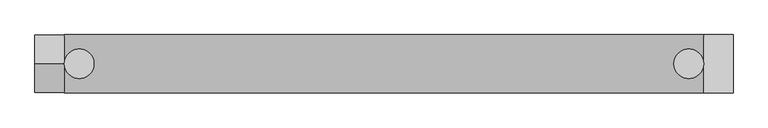
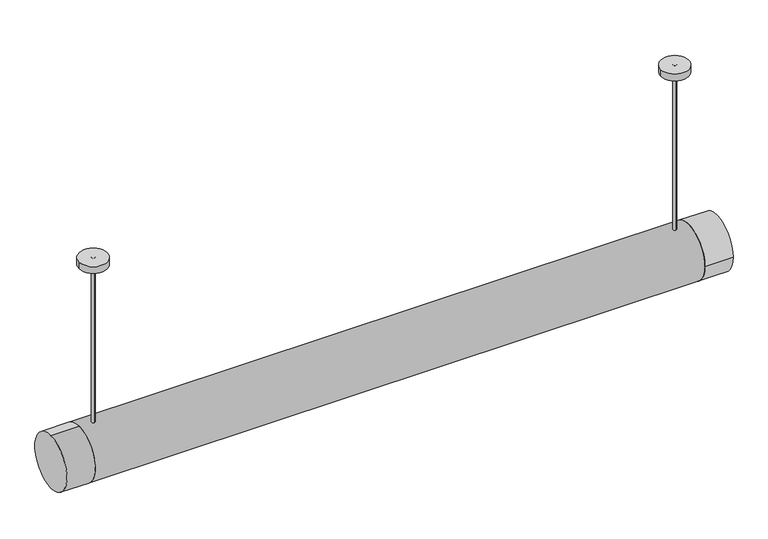
"""IFC4 building model written with IfcOpenShell, lengths in millimetres: light fixture geometry."""

import ifcopenshell
import ifcopenshell.guid

model = None  # the IFC model being written
_history = None  # IfcOwnerHistory: only IFC2X3 demands one
_inside = {}  # id of a spatial element -> (the spatial element, [elements in it])
_under = {}  # id of a project, library or spatial element -> (it, [spatial elements below it])
_declared = {}  # id of a project -> (the project, [libraries it declares])
_typed = {}  # id of a type object -> (the type object, [elements of that type])
_made_of = {}  # id of a material, layer set ... -> (it, [elements and type objects made of it])


def new_model(schema):
    """Start an empty IFC model of exactly this schema.

    Asked for "IFC4X3", IfcOpenShell would pick the latest addendum, in which some entities
    have other attributes; the version numbers below select the first issue.
    IFC2X3 requires an IfcOwnerHistory on every rooted entity: one is made here for all.
    """
    global model, _history
    if schema == "IFC4X3":
        model = ifcopenshell.file(schema_version=(4, 3, 0, 0))
    else:
        model = ifcopenshell.file(schema=schema)
    _inside.clear()
    _under.clear()
    _declared.clear()
    _typed.clear()
    _made_of.clear()
    _history = None
    if model.schema == "IFC2X3":
        org = make("IfcOrganization", Name="unknown")
        user = make(
            "IfcPersonAndOrganization",
            ThePerson=make("IfcPerson", FamilyName="unknown"),
            TheOrganization=org,
        )
        app = make(
            "IfcApplication",
            ApplicationDeveloper=org,
            Version="unknown",
            ApplicationFullName="unknown",
            ApplicationIdentifier="unknown",
        )
        _history = make(
            "IfcOwnerHistory",
            OwningUser=user,
            OwningApplication=app,
            ChangeAction="ADDED",
            CreationDate=0,
        )
    return model


def make(cls, **values):
    """One entity of the class cls with the attributes given. An attribute that is None is left unset."""
    return model.create_entity(
        cls, **{name: value for name, value in values.items() if value is not None}
    )


def rooted(cls, **values):
    """An entity with a GlobalId (a new one), such as an element, a storey or a relation."""
    return make(cls, GlobalId=ifcopenshell.guid.new(), OwnerHistory=_history, **values)


def si_unit(unit_type, name, prefix=None):
    """IfcSIUnit, for example si_unit("LENGTHUNIT", "METRE", prefix="MILLI")."""
    return make("IfcSIUnit", UnitType=unit_type, Prefix=prefix, Name=name)


def assignment(units):
    """IfcUnitAssignment: the units of a project."""
    return None if units is None else make("IfcUnitAssignment", Units=units)


def point(xyz):
    """IfcCartesianPoint."""
    return None if xyz is None else make("IfcCartesianPoint", Coordinates=xyz)


def direction(xyz):
    """IfcDirection."""
    return None if xyz is None else make("IfcDirection", DirectionRatios=xyz)


def frame(location, z_axis=None, x_axis=None):
    """IfcAxis2Placement3D, a coordinate frame: its origin and axes. An axis left out is left unset."""
    return make(
        "IfcAxis2Placement3D",
        Location=point(location),
        Axis=direction(z_axis),
        RefDirection=direction(x_axis),
    )


def frame_2d(location, x_axis=None):
    """IfcAxis2Placement2D, a coordinate frame in the plane: its origin and x axis."""
    return make(
        "IfcAxis2Placement2D", Location=point(location), RefDirection=direction(x_axis)
    )


def origin():
    """The frame at (0, 0, 0) with its axes left unset."""
    return frame((0.0, 0.0, 0.0))


def place(relative_to, where):
    """IfcLocalPlacement: puts the frame where relative to a parent placement (None: the world)."""
    return make(
        "IfcLocalPlacement", PlacementRelTo=relative_to, RelativePlacement=where
    )


def context(
    kind, dimensions, precision=None, world=None, true_north=None, identifier=None
):
    """IfcGeometricRepresentationContext, for example the 3D "Model" context."""
    return make(
        "IfcGeometricRepresentationContext",
        ContextIdentifier=identifier,
        ContextType=kind,
        CoordinateSpaceDimension=dimensions,
        Precision=precision,
        WorldCoordinateSystem=world,
        TrueNorth=true_north,
    )


def project(units=None, contexts=None):
    """IfcProject with its units and contexts."""
    return rooted(
        "IfcProject",
        Name="project",
        RepresentationContexts=contexts,
        UnitsInContext=assignment(units),
    )


def spatial(cls, under=None, at=None, **own):
    """A site, building, storey or space (cls), placed at a placement, below another one or the project."""
    s = rooted(cls, ObjectPlacement=at, **own)
    if under is not None:
        _under.setdefault(under.id(), (under, []))[1].append(s)
    return s


def polyline(points):
    """IfcPolyline through the points."""
    return make("IfcPolyline", Points=[point(p) for p in points])


def circle_curve(where, radius):
    """IfcCircle in the frame where."""
    return make("IfcCircle", Position=where, Radius=radius)


def trimmed(basis, trim1, trim2, sense, master):
    """IfcTrimmedCurve: the piece of a basis curve between two trims."""
    return make(
        "IfcTrimmedCurve",
        BasisCurve=basis,
        Trim1=trim1,
        Trim2=trim2,
        SenseAgreement=sense,
        MasterRepresentation=master,
    )


def segment(curve, same_sense, transition):
    """IfcCompositeCurveSegment."""
    return make(
        "IfcCompositeCurveSegment",
        Transition=transition,
        SameSense=same_sense,
        ParentCurve=curve,
    )


def composite_curve(segments, self_intersect=None):
    """IfcCompositeCurve: segments joined end to end."""
    return make("IfcCompositeCurve", Segments=segments, SelfIntersect=self_intersect)


def outline(outer, holes=None, kind="AREA"):
    """IfcArbitraryClosedProfileDef: a profile drawn as a closed curve; with holes, ...WithVoids."""
    if holes is None:
        return make("IfcArbitraryClosedProfileDef", ProfileType=kind, OuterCurve=outer)
    return make(
        "IfcArbitraryProfileDefWithVoids",
        ProfileType=kind,
        OuterCurve=outer,
        InnerCurves=holes,
    )


def extrude(swept, where, along, depth):
    """IfcExtrudedAreaSolid: the profile swept, set in the frame where, extruded along a direction by depth."""
    return make(
        "IfcExtrudedAreaSolid",
        SweptArea=swept,
        Position=where,
        ExtrudedDirection=direction(along),
        Depth=depth,
    )


def shape(context_of_items, identifier, shape_type, items):
    """IfcShapeRepresentation: the items that make up one representation, for example the "Body"."""
    return make(
        "IfcShapeRepresentation",
        ContextOfItems=context_of_items,
        RepresentationIdentifier=identifier,
        RepresentationType=shape_type,
        Items=items,
    )


def source(mapping_origin, context_of_items, identifier, shape_type, items):
    """IfcRepresentationMap: a shape defined once, which mapped items show again and again."""
    return make(
        "IfcRepresentationMap",
        MappingOrigin=mapping_origin,
        MappedRepresentation=shape(context_of_items, identifier, shape_type, items),
    )


def transform(
    local_origin,
    x_axis=None,
    y_axis=None,
    z_axis=None,
    scale=None,
    scale2=None,
    scale3=None,
    uniform=True,
):
    """IfcCartesianTransformationOperator3D, or its non-uniform kind. x_axis, y_axis, z_axis: its Axis1, 2, 3."""
    if uniform:
        return make(
            "IfcCartesianTransformationOperator3D",
            Axis1=direction(x_axis),
            Axis2=direction(y_axis),
            LocalOrigin=point(local_origin),
            Scale=scale,
            Axis3=direction(z_axis),
        )
    return make(
        "IfcCartesianTransformationOperator3DnonUniform",
        Axis1=direction(x_axis),
        Axis2=direction(y_axis),
        LocalOrigin=point(local_origin),
        Scale=scale,
        Axis3=direction(z_axis),
        Scale2=scale2,
        Scale3=scale3,
    )


def mapped(mapping_source, mapping_target):
    """IfcMappedItem: shows the shape of a source again, moved by a transform."""
    return make(
        "IfcMappedItem", MappingSource=mapping_source, MappingTarget=mapping_target
    )


def made_of(thing, what):
    """Note that an element or type object is made of a material, layer set ...; save() writes the relation."""
    if what is not None:
        _made_of.setdefault(what.id(), (what, []))[1].append(thing)
    return thing


def element(
    cls,
    number,
    at=None,
    inside=None,
    cuts=None,
    type_object=None,
    material=None,
    context=None,
    identifier="Body",
    shape_type=None,
    held_by="IfcProductDefinitionShape",
    body=None,
    shapes=None,
    **own,
):
    """One element of the class cls, such as IfcWall. Its Tag is "e" and its number.

    at: its placement. inside: the storey or other place that contains it. cuts: it is an
    opening in that element (IfcRelVoidsElement). A single representation is given by context,
    identifier, shape_type and body (its items); several are given by shapes. held_by: the class
    of the entity that holds the representations. save() writes the other relations.
    """
    e = rooted(cls, Tag="e%d" % number, ObjectPlacement=at, **own)
    if body is not None:
        shapes = [shape(context, identifier, shape_type, body)]
    if shapes is not None:
        e.Representation = make(held_by, Representations=shapes)
    if inside is not None:
        _inside.setdefault(inside.id(), (inside, []))[1].append(e)
    if cuts is not None:
        rooted(
            "IfcRelVoidsElement", RelatingBuildingElement=cuts, RelatedOpeningElement=e
        )
    if type_object is not None:
        _typed.setdefault(type_object.id(), (type_object, []))[1].append(e)
    return made_of(e, material)


def aggregate(whole, parts):
    """IfcRelAggregates: a whole, such as a stair, and the parts it consists of."""
    return rooted("IfcRelAggregates", RelatingObject=whole, RelatedObjects=parts)


def save(model, path):
    """Write the relations noted so far, then the file.

    IfcRelAggregates (storeys below a building ...), IfcRelContainedInSpatialStructure (elements
    in a storey), IfcRelDefinesByType, IfcRelAssociatesMaterial and IfcRelDeclares: one each for
    every whole, place, type object, material and project.
    """
    for whole, parts in _under.values():
        aggregate(whole, parts)
    for where, things in _inside.values():
        rooted(
            "IfcRelContainedInSpatialStructure",
            RelatedElements=things,
            RelatingStructure=where,
        )
    for kind, things in _typed.values():
        rooted("IfcRelDefinesByType", RelatedObjects=things, RelatingType=kind)
    for what, things in _made_of.values():
        rooted("IfcRelAssociatesMaterial", RelatedObjects=things, RelatingMaterial=what)
    for by, libraries in _declared.values():
        rooted("IfcRelDeclares", RelatingContext=by, RelatedDefinitions=libraries)
    model.write(path)


def light_fixture_d4cd807b(model_context):
    return source(origin(), model_context, "Body", "SweptSolid", [
        extrude(outline(composite_curve([segment(trimmed(circle_curve(frame_2d((0.0, -362.7)), 50.0), [point((-50.0, -362.7))], [point((50.0, -362.7))], False, "CARTESIAN"), True, "CONTINUOUS"), segment(trimmed(circle_curve(frame_2d((0.0, -362.7)), 50.0), [point((50.0, -362.7))], [point((-50.0, -362.7))], False, "CARTESIAN"), True, "CONTINUOUS")], self_intersect=False)), frame((549.2, 0.0, 0.0), z_axis=(1.0, 0.0, 0.0), x_axis=(0.0, 1.0, 0.0)), (0.0, 0.0, 1.0), 50.8),
        extrude(outline(composite_curve([segment(trimmed(circle_curve(frame_2d((0.0, -362.7)), 50.0), [point((0.0, -412.7))], [point((0.0, -312.7))], False, "CARTESIAN"), True, "CONTINUOUS"), segment(trimmed(circle_curve(frame_2d((0.0, -362.7)), 50.0), [point((0.0, -312.7))], [point((0.0, -412.7))], False, "CARTESIAN"), True, "CONTINUOUS")], self_intersect=False)), frame((-600.0, 0.0, 0.0), z_axis=(1.0, 0.0, 0.0), x_axis=(0.0, 1.0, 0.0)), (0.0, 0.0, 1.0), 50.8),
        extrude(outline(polyline([(549.2, 25.0), (549.2, -25.0), (-549.2, -25.0), (-549.2, 25.0), (549.2, 25.0)])), frame((0.0, 0.0, -406.0012702), z_axis=(0.0, 0.0, 1.0), x_axis=(1.0, 0.0, 0.0)), (0.0, 0.0, 1.0), 12.7),
        extrude(outline(composite_curve([segment(trimmed(circle_curve(frame_2d((-523.8883785, 0.0)), 25.4), [point((-549.2883785, 0.0))], [point((-498.4883785, 0.0))], False, "CARTESIAN"), True, "CONTINUOUS"), segment(trimmed(circle_curve(frame_2d((-523.8883785, 0.0)), 25.4), [point((-498.4883785, 0.0))], [point((-549.2883785, 0.0))], False, "CARTESIAN"), True, "CONTINUOUS")], self_intersect=False)), frame((0.0, 0.0, -12.7), z_axis=(0.0, 0.0, 1.0), x_axis=(1.0, 0.0, 0.0)), (0.0, 0.0, 1.0), 12.7),
        extrude(outline(composite_curve([segment(trimmed(circle_curve(frame_2d((523.8, 0.0)), 25.4), [point((498.4, 0.0))], [point((549.2, 0.0))], False, "CARTESIAN"), True, "CONTINUOUS"), segment(trimmed(circle_curve(frame_2d((523.8, 0.0)), 25.4), [point((549.2, 0.0))], [point((498.4, 0.0))], False, "CARTESIAN"), True, "CONTINUOUS")], self_intersect=False)), frame((0.0, 0.0, -12.7), z_axis=(0.0, 0.0, 1.0), x_axis=(1.0, 0.0, 0.0)), (0.0, 0.0, 1.0), 12.7),
        extrude(outline(composite_curve([segment(trimmed(circle_curve(frame_2d((-523.8, 0.0)), 3.175), [point((-523.8, 3.175))], [point((-523.8, -3.175))], False, "CARTESIAN"), True, "CONTINUOUS"), segment(trimmed(circle_curve(frame_2d((-523.8, 0.0)), 3.175), [point((-523.8, -3.175))], [point((-523.8, 3.175))], False, "CARTESIAN"), True, "CONTINUOUS")], self_intersect=False)), frame((0.0, 0.0, -312.7), z_axis=(0.0, 0.0, 1.0), x_axis=(1.0, 0.0, 0.0)), (0.0, 0.0, 1.0), 312.7),
        extrude(outline(composite_curve([segment(trimmed(circle_curve(frame_2d((523.8, 0.0)), 3.175), [point((523.8, 3.175))], [point((523.8, -3.175))], False, "CARTESIAN"), True, "CONTINUOUS"), segment(trimmed(circle_curve(frame_2d((523.8, 0.0)), 3.175), [point((523.8, -3.175))], [point((523.8, 3.175))], False, "CARTESIAN"), True, "CONTINUOUS")], self_intersect=False)), frame((0.0, 0.0, -312.7), z_axis=(0.0, 0.0, 1.0), x_axis=(1.0, 0.0, 0.0)), (0.0, 0.0, 1.0), 312.7),
        extrude(outline(composite_curve([segment(polyline([(25.0, -380.6012702), (-25.0, -380.6012702), (-25.0, -406.0012702)]), True, "CONTINUOUS"), segment(trimmed(circle_curve(frame_2d((0.0, -362.7)), 50.0), [point((-25.0, -406.0012702))], [point((25.0, -406.0012702))], False, "CARTESIAN"), True, "CONTINUOUS"), segment(polyline([(25.0, -406.0012702), (25.0, -380.6012702)]), True, "CONTINUOUS")], self_intersect=False)), frame((-549.2, 0.0, 0.0), z_axis=(1.0, 0.0, 0.0), x_axis=(0.0, 1.0, 0.0)), (0.0, 0.0, 1.0), 1098.4),
    ])


if __name__ == "__main__":
    model = new_model("IFC4")
    model_context = context("Model", 3, world=origin())
    ifc_project = project(units=[si_unit("LENGTHUNIT", "METRE", prefix="MILLI")], contexts=[model_context])
    site = spatial("IfcSite", under=ifc_project)
    building = spatial("IfcBuilding", under=site)
    placement = place(None, origin())
    light_fixture_shape = light_fixture_d4cd807b(model_context)
    element("IfcLightFixture", 1, at=placement, inside=building, context=model_context, shape_type="MappedRepresentation", body=[
        mapped(light_fixture_shape, transform((0.0, 0.0, 0.0), x_axis=(1.0, 0.0, 0.0), y_axis=(0.0, 1.0, 0.0), z_axis=(0.0, 0.0, 1.0))),
    ])
    save(model, "model.ifc")
